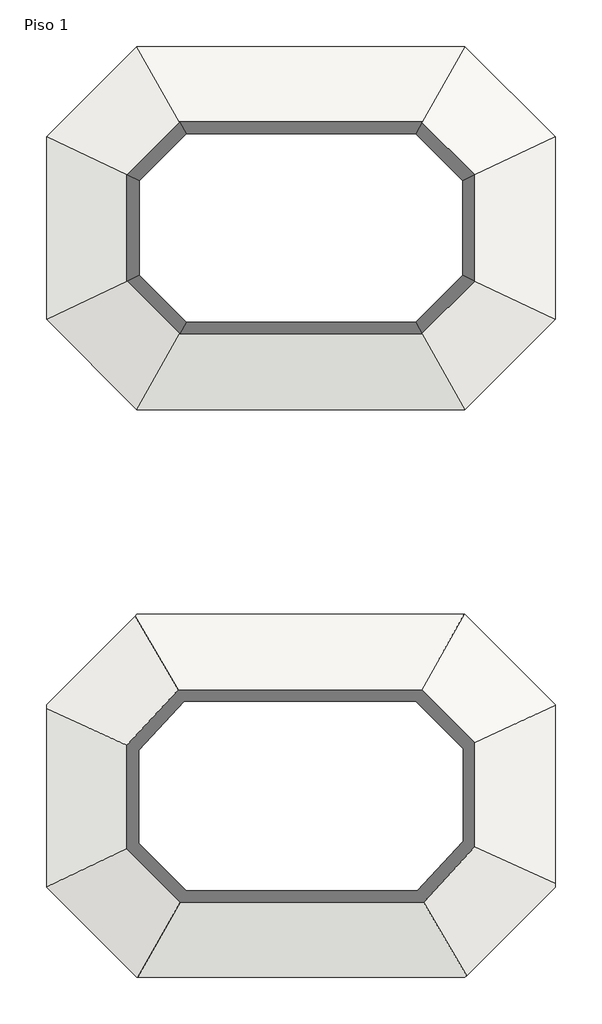
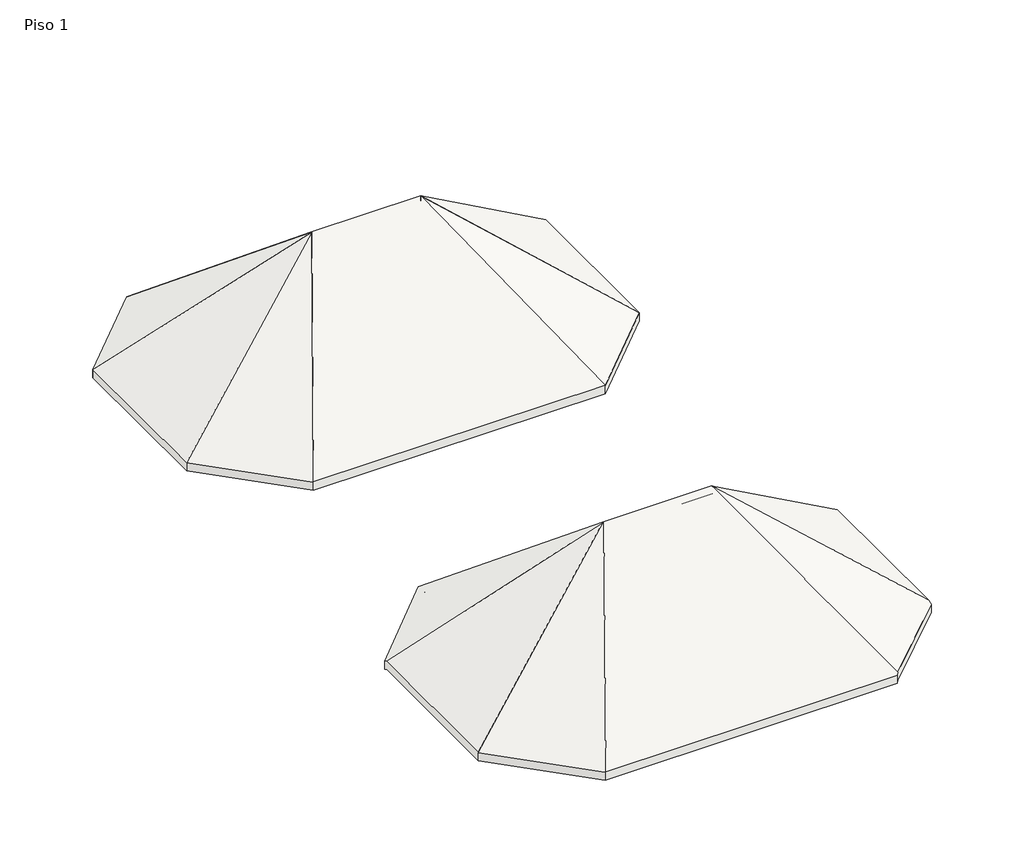
# One storey: 8 roofs.
"""IFC4 building model written with IfcOpenShell, lengths in millimetres."""

from ifc_helpers import new_model, si_unit, origin, place, context, project, spatial, faceted_brep, element, save

model = new_model("IFC4")

# Units and contexts
model_context = context("Model", 3, world=origin())
ifc_project = project(units=[si_unit("LENGTHUNIT", "METRE", prefix="MILLI")], contexts=[model_context])

# Site, building, storey
site = spatial("IfcSite", under=ifc_project)
building = spatial("IfcBuilding", under=site)
storey = spatial("IfcBuildingStorey", under=building, Name="Piso 1", Elevation=2800.0)

# Roofs
placement = place(None, origin())
element("IfcRoof", 1, ObjectType="Generic - 125mm", at=placement, inside=storey, context=model_context, shape_type="Brep", body=[
    faceted_brep([(2168.9897058, -186.1471764, 2800.0), (470.4662454, -3191.0566414, 5300.0), (-1560.3152313, -3191.0566414, 5300.0), (-3295.4240381, -222.7325229, 2830.4379773), (-3258.8386916, -186.1471764, 2800.0), (-3258.8386916, -6195.9661063, 2800.0), (2205.5750522, -6159.3807599, 2830.4379773), (2168.9897058, -6195.9661063, 2800.0), (-3258.8386916, -186.1471764, 2962.6046351), (-3288.2524062, -215.560891, 2987.0760168), (-1549.0555831, -3190.8785522, 5462.4564699), (-1548.5987399, -3191.0566414, 5462.6046351), (458.749754, -3191.0566414, 5462.6046351), (2157.2732144, -186.1471764, 2962.6046351), (2168.9897058, -6195.9661063, 2962.6046351), (2198.4034204, -6166.5523917, 2987.0760168), (459.2065973, -3191.2347306, 5462.4564699), (-3247.1222002, -6195.9661063, 2962.6046351), (-3258.8386916, -6195.9661063, 2956.3770076), (-4754.8339579, -4699.9708401, 2956.3770076), (-4754.8339579, -4699.9708401, 2800.0), (2168.9897058, -186.1471764, 2956.3770076), (3664.984972, -1682.1424427, 2956.3770076), (3664.984972, -1682.1424427, 2800.0), (-4754.8339579, -1744.9837451, 2800.0), (3664.984972, -4637.1295377, 2800.0), (-4754.8339579, -4695.5482186, 2958.7277488), (-1570.1836446, -3191.2953132, 5451.0048223), (-4754.8339579, -1749.6895828, 2958.7277488), (3664.984972, -1686.5650641, 2958.7277488), (480.3346587, -3190.8179695, 5451.0048223), (3664.984972, -4632.4236999, 2958.7277488), (-4754.8339579, -1682.1424427, 2924.3279074), (-4754.8339579, -1682.1424427, 2767.9967082), (3664.984972, -4699.9708401, 2924.3279074), (3664.984972, -4699.9708401, 2767.9967082)], [[[0, 1, 2, 3, 4]], [[5, 2, 1, 6, 7]], [[8, 9, 10, 11, 12, 13]], [[14, 15, 16, 12, 11, 17]], [[18, 19, 20, 5]], [[21, 22, 23, 0]], [[20, 24, 2]], [[23, 25, 1]], [[26, 27, 28]], [[29, 30, 31]], [[32, 9, 8, 4, 3, 33]], [[34, 15, 14, 7, 6, 35]], [[20, 2, 5]], [[19, 18, 17, 11, 10, 27, 26]], [[14, 17, 18, 5, 7]], [[0, 23, 1]], [[21, 13, 12, 16, 30, 29, 22]], [[8, 13, 21, 0, 4]], [[19, 26, 28, 32, 33, 24, 20]], [[22, 29, 31, 34, 35, 25, 23]], [[24, 33, 3, 2]], [[32, 28, 27, 10, 9]], [[25, 35, 6, 1]], [[34, 31, 30, 16, 15]]]),
])
element("IfcRoof", 2, ObjectType="Generic - 125mm", at=placement, inside=storey, context=model_context, shape_type="Brep", body=[
    faceted_brep([(2168.9897058, 9213.8528236, 2800.0), (470.4662454, 6208.9433586, 5300.0), (-1560.3152313, 6208.9433586, 5300.0), (-3258.8386916, 9213.8528236, 2800.0), (-3258.8386916, 3204.0338937, 2800.0), (2168.9897058, 3204.0338937, 2800.0), (2168.9897058, 9213.8528236, 2962.6046351), (-3258.8386916, 9213.8528236, 2962.6046351), (-1560.3152313, 6208.9433586, 5462.6046351), (470.4662454, 6208.9433586, 5462.6046351), (-3258.8386916, 3204.0338937, 2962.6046351), (2168.9897058, 3204.0338937, 2962.6046351)], [[[0, 1, 2, 3]], [[4, 2, 1, 5]], [[6, 7, 8, 9]], [[8, 10, 11, 9]], [[7, 6, 0, 3]], [[11, 10, 4, 5]], [[8, 7, 3, 2]], [[10, 8, 2, 4]], [[9, 11, 5, 1]], [[6, 9, 1, 0]]]),
])
element("IfcRoof", 3, ObjectType="Generic - 125mm", at=placement, inside=storey, context=model_context, shape_type="Brep", body=[
    faceted_brep([(470.4662454, 6208.9433586, 5300.0), (3664.984972, 7717.8575573, 2800.0), (3664.984972, 4700.0291599, 2800.0), (3664.984972, 7717.8575573, 2958.7277488), (470.4662454, 6208.9433586, 5458.7277488), (3664.984972, 4700.0291599, 2958.7277488)], [[[0, 1, 2]], [[3, 4, 5]], [[4, 3, 1, 0]], [[5, 4, 0, 2]], [[3, 5, 2, 1]]]),
])
element("IfcRoof", 4, ObjectType="Generic - 125mm", at=placement, inside=storey, context=model_context, shape_type="Brep", body=[
    faceted_brep([(470.4662454, 6208.9433586, 5300.0), (2168.9897058, 9213.8528236, 2800.0), (3664.984972, 7717.8575573, 2800.0), (2168.9897058, 9213.8528236, 2956.3770076), (470.4662454, 6208.9433586, 5456.3770076), (3664.984972, 7717.8575573, 2956.3770076)], [[[0, 1, 2]], [[3, 4, 5]], [[4, 3, 1, 0]], [[5, 4, 0, 2]], [[3, 5, 2, 1]]]),
])
element("IfcRoof", 5, ObjectType="Generic - 125mm", at=placement, inside=storey, context=model_context, shape_type="Brep", body=[
    faceted_brep([(2168.9897058, 3204.0338937, 2800.0), (470.4662454, 6208.9433586, 5300.0), (3664.984972, 4700.0291599, 2800.0), (470.4662454, 6208.9433586, 5456.3770076), (2168.9897058, 3204.0338937, 2956.3770076), (3664.984972, 4700.0291599, 2956.3770076)], [[[0, 1, 2]], [[3, 4, 5]], [[4, 3, 1, 0]], [[3, 5, 2, 1]], [[5, 4, 0, 2]]]),
])
element("IfcRoof", 6, ObjectType="Generic - 125mm", at=placement, inside=storey, context=model_context, shape_type="Brep", body=[
    faceted_brep([(-4754.8339579, 7717.8575573, 2800.0), (-1560.3152313, 6208.9433586, 5300.0), (-4754.8339579, 4700.0291599, 2800.0), (-1560.3152313, 6208.9433586, 5458.7277488), (-4754.8339579, 7717.8575573, 2958.7277488), (-4754.8339579, 4700.0291599, 2958.7277488)], [[[0, 1, 2]], [[3, 4, 5]], [[4, 3, 1, 0]], [[3, 5, 2, 1]], [[5, 4, 0, 2]]]),
])
element("IfcRoof", 7, ObjectType="Generic - 125mm", at=placement, inside=storey, context=model_context, shape_type="Brep", body=[
    faceted_brep([(-3258.8386916, 9213.8528236, 2800.0), (-1560.3152313, 6208.9433586, 5300.0), (-4754.8339579, 7717.8575573, 2800.0), (-1560.3152313, 6208.9433586, 5456.3770076), (-3258.8386916, 9213.8528236, 2956.3770076), (-4754.8339579, 7717.8575573, 2956.3770076)], [[[0, 1, 2]], [[3, 4, 5]], [[4, 3, 1, 0]], [[3, 5, 2, 1]], [[5, 4, 0, 2]]]),
])
element("IfcRoof", 8, ObjectType="Generic - 125mm", at=placement, inside=storey, context=model_context, shape_type="Brep", body=[
    faceted_brep([(-1560.3152313, 6208.9433586, 5300.0), (-3258.8386916, 3204.0338937, 2800.0), (-4754.8339579, 4700.0291599, 2800.0), (-3258.8386916, 3204.0338937, 2956.3770076), (-1560.3152313, 6208.9433586, 5456.3770076), (-4754.8339579, 4700.0291599, 2956.3770076)], [[[0, 1, 2]], [[3, 4, 5]], [[4, 3, 1, 0]], [[5, 4, 0, 2]], [[3, 5, 2, 1]]]),
])

save(model, "model.ifc")
